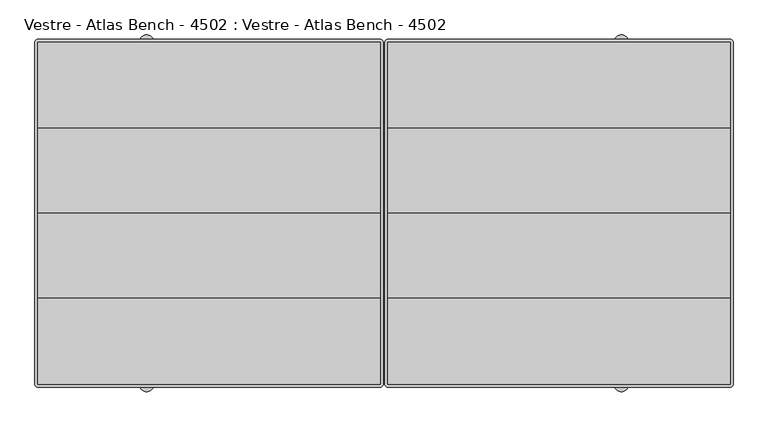
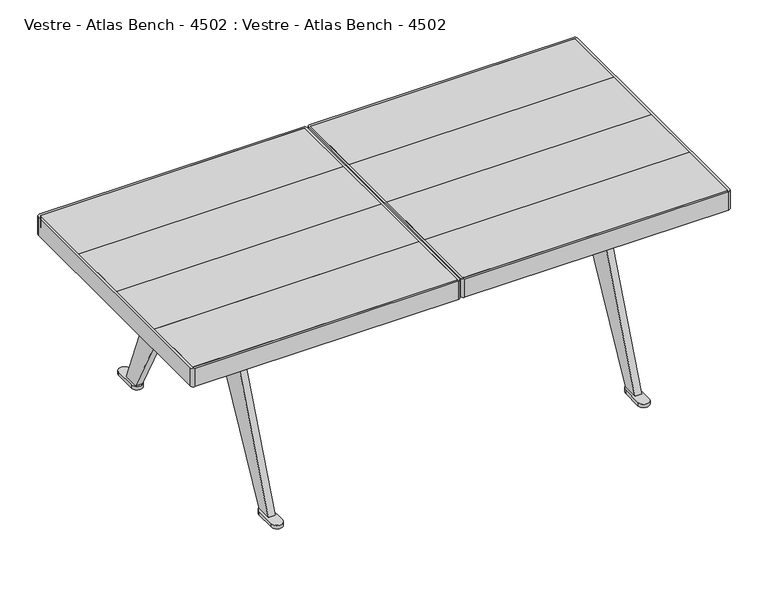
"""IFC4 building model written with IfcOpenShell, lengths in millimetres: furniture geometry, Vestre - Atlas Bench - 4502 : Vestre - Atlas Bench - 4502."""

from ifc_helpers import new_model, si_unit, point, frame, frame_2d, origin, origin_with_axes, place, context, project, spatial, polyline, circle_curve, trimmed, segment, composite_curve, outline, extrude, faceted_brep, source, transform, mapped, element, save


def vestre_atlas_bench_4502_vestre_atlas_bench_4502_a523c33e(model_context):
    return source(origin(), model_context, "Body", "SolidModel", [
        extrude(outline(polyline([(6.4996033, -146.0000273), (6.4996033, 0.0), (596.4996368, 0.0), (596.4996368, -146.0000273), (6.4996033, -146.0000273)])), frame((0.0, 0.0, 410.700222), z_axis=(0.0, 0.0, 1.0), x_axis=(1.0, 0.0, 0.0)), (0.0, 0.0, 1.0), 27.9999988),
        extrude(outline(polyline([(6.4996033, 146.0000273), (596.4996368, 146.0000273), (596.4996368, 0.0), (6.4996033, 0.0), (6.4996033, 146.0000273)])), frame((0.0, 0.0, 410.700222), z_axis=(0.0, 0.0, 1.0), x_axis=(1.0, 0.0, 0.0)), (0.0, 0.0, 1.0), 27.9999988),
        extrude(outline(composite_curve([segment(trimmed(circle_curve(frame_2d((595.5088661, 294.0091733)), 0.9907708), [point((595.5088661, 294.9999441))], [point((596.4996368, 294.0091733))], False, "CARTESIAN"), True, "CONTINUOUS"), segment(polyline([(596.4996368, 294.0091733), (596.4996368, 146.0000273), (6.4996033, 146.0000273), (6.4996033, 294.0104801)]), True, "CONTINUOUS"), segment(trimmed(circle_curve(frame_2d((7.4890673, 294.0104801)), 0.989464), [point((6.4996033, 294.0104801))], [point((7.4890673, 294.9999441))], False, "CARTESIAN"), True, "CONTINUOUS"), segment(polyline([(7.4890673, 294.9999441), (595.5088661, 294.9999441)]), True, "CONTINUOUS")], self_intersect=False)), frame((0.0, 0.0, 410.700222), z_axis=(0.0, 0.0, 1.0), x_axis=(1.0, 0.0, 0.0)), (0.0, 0.0, 1.0), 27.9999988),
        extrude(outline(composite_curve([segment(polyline([(595.5354213, -295.0000895), (7.498035, -295.0000895)]), True, "CONTINUOUS"), segment(trimmed(circle_curve(frame_2d((7.498035, -294.0016577)), 0.9984317), [point((7.498035, -295.0000895))], [point((6.4996033, -294.0016577))], False, "CARTESIAN"), True, "CONTINUOUS"), segment(polyline([(6.4996033, -294.0016577), (6.4996033, -146.0000273), (596.4996368, -146.0000273), (596.4996368, -294.035874)]), True, "CONTINUOUS"), segment(trimmed(circle_curve(frame_2d((595.5354213, -294.035874)), 0.9642155), [point((596.4996368, -294.035874))], [point((595.5354213, -295.0000895))], False, "CARTESIAN"), True, "CONTINUOUS")], self_intersect=False)), frame((0.0, 0.0, 410.700222), z_axis=(0.0, 0.0, 1.0), x_axis=(1.0, 0.0, 0.0)), (0.0, 0.0, 1.0), 27.9999988),
        extrude(outline(polyline([(266.5000122, -34.9999712), (266.5000122, 34.9999712), (336.4992279, 34.9999712), (336.4992279, -34.9999712), (266.5000122, -34.9999712)])), frame((0.0, 0.0, 370.8502198), z_axis=(0.0, 0.0, 1.0), x_axis=(1.0, 0.0, 0.0)), (0.0, 0.0, 1.0), 39.8500022),
        extrude(outline(composite_curve([segment(trimmed(circle_curve(frame_2d((595.5361966, -294.0369399)), 5.9631351), [point((601.4993317, -294.0369399))], [point((595.5361966, -300.000075))], False, "CARTESIAN"), True, "CONTINUOUS"), segment(polyline([(595.5361966, -300.000075), (7.4999084, -300.000075)]), True, "CONTINUOUS"), segment(trimmed(circle_curve(frame_2d((7.4999084, -294.000075)), 6.0), [point((7.4999084, -300.000075))], [point((1.4999084, -294.000075))], False, "CARTESIAN"), True, "CONTINUOUS"), segment(polyline([(1.4999084, -294.000075), (1.4999084, 294.000075)]), True, "CONTINUOUS"), segment(trimmed(circle_curve(frame_2d((7.4999084, 294.000075)), 6.0), [point((1.4999084, 294.000075))], [point((7.4999084, 300.000075))], False, "CARTESIAN"), True, "CONTINUOUS"), segment(polyline([(7.4999084, 300.000075), (595.4993317, 300.000075)]), True, "CONTINUOUS"), segment(trimmed(circle_curve(frame_2d((595.4993317, 294.000075)), 6.0), [point((595.4993317, 300.000075))], [point((601.4993317, 294.000075))], False, "CARTESIAN"), True, "CONTINUOUS"), segment(polyline([(601.4993317, 294.000075), (601.4993317, -294.0369399)]), True, "CONTINUOUS")], self_intersect=False), holes=[composite_curve([segment(polyline([(596.4996368, -294.035874), (596.4996368, 294.0091733)]), True, "CONTINUOUS"), segment(trimmed(circle_curve(frame_2d((595.5088661, 294.0091733)), 0.9907708), [point((596.4996368, 294.0091733))], [point((595.5088661, 294.9999441))], True, "CARTESIAN"), True, "CONTINUOUS"), segment(polyline([(595.5088661, 294.9999441), (7.4890673, 294.9999441)]), True, "CONTINUOUS"), segment(trimmed(circle_curve(frame_2d((7.4890673, 294.0104801)), 0.989464), [point((7.4890673, 294.9999441))], [point((6.4996033, 294.0104801))], True, "CARTESIAN"), True, "CONTINUOUS"), segment(polyline([(6.4996033, 294.0104801), (6.4996033, -294.0016577)]), True, "CONTINUOUS"), segment(trimmed(circle_curve(frame_2d((7.498035, -294.0016577)), 0.9984317), [point((6.4996033, -294.0016577))], [point((7.498035, -295.0000895))], True, "CARTESIAN"), True, "CONTINUOUS"), segment(polyline([(7.498035, -295.0000895), (595.5354213, -295.0000895)]), True, "CONTINUOUS"), segment(trimmed(circle_curve(frame_2d((595.5354213, -294.035874)), 0.9642155), [point((595.5354213, -295.0000895))], [point((596.4996368, -294.035874))], True, "CARTESIAN"), True, "CONTINUOUS")], self_intersect=False)]), frame((0.0, 0.0, 395.7002292), z_axis=(0.0, 0.0, 1.0), x_axis=(1.0, 0.0, 0.0)), (0.0, 0.0, 1.0), 42.9999916),
        extrude(outline(polyline([(-6.4996033, -146.0000273), (-596.4996368, -146.0000273), (-596.4996368, 0.0), (-6.4996033, 0.0), (-6.4996033, -146.0000273)])), frame((0.0, 0.0, 410.700222), z_axis=(0.0, 0.0, 1.0), x_axis=(1.0, 0.0, 0.0)), (0.0, 0.0, 1.0), 27.9999988),
        extrude(outline(polyline([(-6.4996033, 146.0000273), (-6.4996033, 0.0), (-596.4996368, 0.0), (-596.4996368, 146.0000273), (-6.4996033, 146.0000273)])), frame((0.0, 0.0, 410.700222), z_axis=(0.0, 0.0, 1.0), x_axis=(1.0, 0.0, 0.0)), (0.0, 0.0, 1.0), 27.9999988),
        extrude(outline(composite_curve([segment(polyline([(-595.5088661, 294.9999441), (-7.4890673, 294.9999441)]), True, "CONTINUOUS"), segment(trimmed(circle_curve(frame_2d((-7.4890673, 294.0104801)), 0.989464), [point((-7.4890673, 294.9999441))], [point((-6.4996033, 294.0104801))], False, "CARTESIAN"), True, "CONTINUOUS"), segment(polyline([(-6.4996033, 294.0104801), (-6.4996033, 146.0000273), (-596.4996368, 146.0000273), (-596.4996368, 294.0091733)]), True, "CONTINUOUS"), segment(trimmed(circle_curve(frame_2d((-595.5088661, 294.0091733)), 0.9907708), [point((-596.4996368, 294.0091733))], [point((-595.5088661, 294.9999441))], False, "CARTESIAN"), True, "CONTINUOUS")], self_intersect=False)), frame((0.0, 0.0, 410.700222), z_axis=(0.0, 0.0, 1.0), x_axis=(1.0, 0.0, 0.0)), (0.0, 0.0, 1.0), 27.9999988),
        extrude(outline(composite_curve([segment(trimmed(circle_curve(frame_2d((-595.5354213, -294.035874)), 0.9642155), [point((-595.5354213, -295.0000895))], [point((-596.4996368, -294.035874))], False, "CARTESIAN"), True, "CONTINUOUS"), segment(polyline([(-596.4996368, -294.035874), (-596.4996368, -146.0000273), (-6.4996033, -146.0000273), (-6.4996033, -294.0016577)]), True, "CONTINUOUS"), segment(trimmed(circle_curve(frame_2d((-7.498035, -294.0016577)), 0.9984317), [point((-6.4996033, -294.0016577))], [point((-7.498035, -295.0000895))], False, "CARTESIAN"), True, "CONTINUOUS"), segment(polyline([(-7.498035, -295.0000895), (-595.5354213, -295.0000895)]), True, "CONTINUOUS")], self_intersect=False)), frame((0.0, 0.0, 410.700222), z_axis=(0.0, 0.0, 1.0), x_axis=(1.0, 0.0, 0.0)), (0.0, 0.0, 1.0), 27.9999988),
        extrude(outline(polyline([(-266.5000122, 34.9999712), (-266.5000122, -34.9999712), (-336.4992279, -34.9999712), (-336.4992279, 34.9999712), (-266.5000122, 34.9999712)])), frame((0.0, 0.0, 370.8502198), z_axis=(0.0, 0.0, 1.0), x_axis=(1.0, 0.0, 0.0)), (0.0, 0.0, 1.0), 39.8500022),
        extrude(outline(composite_curve([segment(polyline([(-601.4993317, -294.0369399), (-601.4993317, 294.000075)]), True, "CONTINUOUS"), segment(trimmed(circle_curve(frame_2d((-595.4993317, 294.000075)), 6.0), [point((-601.4993317, 294.000075))], [point((-595.4993317, 300.000075))], False, "CARTESIAN"), True, "CONTINUOUS"), segment(polyline([(-595.4993317, 300.000075), (-7.4999084, 300.000075)]), True, "CONTINUOUS"), segment(trimmed(circle_curve(frame_2d((-7.4999084, 294.000075)), 6.0), [point((-7.4999084, 300.000075))], [point((-1.4999084, 294.000075))], False, "CARTESIAN"), True, "CONTINUOUS"), segment(polyline([(-1.4999084, 294.000075), (-1.4999084, -294.000075)]), True, "CONTINUOUS"), segment(trimmed(circle_curve(frame_2d((-7.4999084, -294.000075)), 6.0), [point((-1.4999084, -294.000075))], [point((-7.4999084, -300.000075))], False, "CARTESIAN"), True, "CONTINUOUS"), segment(polyline([(-7.4999084, -300.000075), (-595.5361966, -300.000075)]), True, "CONTINUOUS"), segment(trimmed(circle_curve(frame_2d((-595.5361966, -294.0369399)), 5.9631351), [point((-595.5361966, -300.000075))], [point((-601.4993317, -294.0369399))], False, "CARTESIAN"), True, "CONTINUOUS")], self_intersect=False), holes=[composite_curve([segment(trimmed(circle_curve(frame_2d((-595.5354213, -294.035874)), 0.9642155), [point((-596.4996368, -294.035874))], [point((-595.5354213, -295.0000895))], True, "CARTESIAN"), True, "CONTINUOUS"), segment(polyline([(-595.5354213, -295.0000895), (-7.498035, -295.0000895)]), True, "CONTINUOUS"), segment(trimmed(circle_curve(frame_2d((-7.498035, -294.0016577)), 0.9984317), [point((-7.498035, -295.0000895))], [point((-6.4996033, -294.0016577))], True, "CARTESIAN"), True, "CONTINUOUS"), segment(polyline([(-6.4996033, -294.0016577), (-6.4996033, 294.0104801)]), True, "CONTINUOUS"), segment(trimmed(circle_curve(frame_2d((-7.4890673, 294.0104801)), 0.989464), [point((-6.4996033, 294.0104801))], [point((-7.4890673, 294.9999441))], True, "CARTESIAN"), True, "CONTINUOUS"), segment(polyline([(-7.4890673, 294.9999441), (-595.5088661, 294.9999441)]), True, "CONTINUOUS"), segment(trimmed(circle_curve(frame_2d((-595.5088661, 294.0091733)), 0.9907708), [point((-595.5088661, 294.9999441))], [point((-596.4996368, 294.0091733))], True, "CARTESIAN"), True, "CONTINUOUS"), segment(polyline([(-596.4996368, 294.0091733), (-596.4996368, -294.035874)]), True, "CONTINUOUS")], self_intersect=False)]), frame((0.0, 0.0, 395.7002292), z_axis=(0.0, 0.0, 1.0), x_axis=(1.0, 0.0, 0.0)), (0.0, 0.0, 1.0), 42.9999916),
        faceted_brep([(401.4993301, 0.0, 304.9999878), (401.4993301, 77.4828432, 400.0000031), (401.4993301, -77.4832792, 400.0000031), (-401.4993301, 0.0, 304.9999878), (-401.4993301, -77.4832792, 400.0000031), (-401.4993301, 77.4828432, 400.0000031), (-266.4994308, 34.9996805, 400.0000031), (-266.4994308, -35.0001165, 400.0000031), (-336.4992279, -35.0001165, 400.0000031), (-336.4992279, 34.9996805, 400.0000031), (336.500972, 34.9996805, 400.0000031), (336.500972, -35.0001165, 400.0000031), (266.5005936, -35.0001165, 400.0000031), (266.5005936, 34.9996805, 400.0000031), (-266.4994308, -35.0001165, 370.8502198), (-266.4994308, 34.9996805, 370.8502198), (-336.4992279, 34.9996805, 370.8502198), (-336.4992279, -35.0001165, 370.8502198), (336.500972, -35.0001165, 370.8502198), (336.500972, 34.9996805, 370.8502198), (266.5005936, 34.9996805, 370.8502198), (266.5005936, -35.0001165, 370.8502198)], [[[0, 1, 2]], [[3, 4, 5]], [[1, 0, 3, 5]], [[2, 1, 5, 4], [6, 7, 8, 9], [10, 11, 12, 13]], [[0, 2, 4, 3]], [[14, 15, 16, 17]], [[18, 19, 20, 21]], [[15, 14, 7, 6]], [[16, 15, 6, 9]], [[17, 16, 9, 8]], [[14, 17, 8, 7]], [[19, 18, 11, 10]], [[20, 19, 10, 13]], [[21, 20, 13, 12]], [[18, 21, 12, 11]]]),
        extrude(outline(composite_curve([segment(trimmed(circle_curve(frame_2d((-408.9991631, 294.7881019)), 12.5001091), [point((-421.4992722, 294.7881019))], [point((-396.499054, 294.7881019))], False, "CARTESIAN"), True, "CONTINUOUS"), segment(polyline([(-396.499054, 294.7881019), (-396.499054, 246.6671022)]), True, "CONTINUOUS"), segment(trimmed(circle_curve(frame_2d((-408.9991631, 246.6671022)), 12.5001091), [point((-396.499054, 246.6671022))], [point((-421.4992722, 246.6671022))], False, "CARTESIAN"), True, "CONTINUOUS"), segment(polyline([(-421.4992722, 246.6671022), (-421.4992722, 294.7881019)]), True, "CONTINUOUS")], self_intersect=False)), origin_with_axes(), (0.0, 0.0, 1.0), 7.85),
        extrude(outline(composite_curve([segment(polyline([(421.4992722, 294.7881019), (421.4992722, 246.6671022)]), True, "CONTINUOUS"), segment(trimmed(circle_curve(frame_2d((408.9991631, 246.6671022)), 12.5001091), [point((421.4992722, 246.6671022))], [point((396.499054, 246.6671022))], False, "CARTESIAN"), True, "CONTINUOUS"), segment(polyline([(396.499054, 246.6671022), (396.499054, 294.7881019)]), True, "CONTINUOUS"), segment(trimmed(circle_curve(frame_2d((408.9991631, 294.7881019)), 12.5001091), [point((396.499054, 294.7881019))], [point((421.4992722, 294.7881019))], False, "CARTESIAN"), True, "CONTINUOUS")], self_intersect=False)), origin_with_axes(), (0.0, 0.0, 1.0), 7.85),
        extrude(outline(composite_curve([segment(polyline([(-421.4992722, -294.7881019), (-421.4992722, -246.6671022)]), True, "CONTINUOUS"), segment(trimmed(circle_curve(frame_2d((-408.9991631, -246.6671022)), 12.5001091), [point((-421.4992722, -246.6671022))], [point((-396.499054, -246.6671022))], False, "CARTESIAN"), True, "CONTINUOUS"), segment(polyline([(-396.499054, -246.6671022), (-396.499054, -294.7881019)]), True, "CONTINUOUS"), segment(trimmed(circle_curve(frame_2d((-408.9991631, -294.7881019)), 12.5001091), [point((-396.499054, -294.7881019))], [point((-421.4992722, -294.7881019))], False, "CARTESIAN"), True, "CONTINUOUS")], self_intersect=False)), origin_with_axes(), (0.0, 0.0, 1.0), 7.85),
        extrude(outline(composite_curve([segment(trimmed(circle_curve(frame_2d((408.9991631, -294.7881019)), 12.5001091), [point((421.4992722, -294.7881019))], [point((396.499054, -294.7881019))], False, "CARTESIAN"), True, "CONTINUOUS"), segment(polyline([(396.499054, -294.7881019), (396.499054, -246.6671022)]), True, "CONTINUOUS"), segment(trimmed(circle_curve(frame_2d((408.9991631, -246.6671022)), 12.5001091), [point((396.499054, -246.6671022))], [point((421.4992722, -246.6671022))], False, "CARTESIAN"), True, "CONTINUOUS"), segment(polyline([(421.4992722, -246.6671022), (421.4992722, -294.7881019)]), True, "CONTINUOUS")], self_intersect=False)), origin_with_axes(), (0.0, 0.0, 1.0), 7.85),
        extrude(outline(composite_curve([segment(polyline([(274.4581476, 7.85), (238.7432621, 7.85), (86.6507551, 294.3770811)]), True, "CONTINUOUS"), segment(trimmed(circle_curve(frame_2d((68.9852486, 284.9999878)), 20.0), [point((86.6507551, 294.3770811))], [point((68.9852486, 304.9999878))], True, "CARTESIAN"), True, "CONTINUOUS"), segment(polyline([(68.9852486, 304.9999878), (-68.9852486, 304.9999878)]), True, "CONTINUOUS"), segment(trimmed(circle_curve(frame_2d((-68.9852486, 284.9999878)), 20.0), [point((-68.9852486, 304.9999878))], [point((-86.6507551, 294.3770811))], True, "CARTESIAN"), True, "CONTINUOUS"), segment(polyline([(-86.6507551, 294.3770811), (-238.7432621, 7.85), (-274.4581476, 7.85), (-122.5040271, 393.6645503)]), True, "CONTINUOUS"), segment(trimmed(circle_curve(frame_2d((-113.1996683, 390.0000031)), 10.0), [point((-122.5040271, 393.6645503))], [point((-113.1996683, 400.0000031))], False, "CARTESIAN"), True, "CONTINUOUS"), segment(polyline([(-113.1996683, 400.0000031), (113.1996683, 400.0000031)]), True, "CONTINUOUS"), segment(trimmed(circle_curve(frame_2d((113.1996683, 390.0000031)), 10.0), [point((113.1996683, 400.0000031))], [point((122.5040271, 393.6645503))], False, "CARTESIAN"), True, "CONTINUOUS"), segment(polyline([(122.5040271, 393.6645503), (274.4581476, 7.85)]), True, "CONTINUOUS")], self_intersect=False)), frame((401.4993301, 0.0, 0.0), z_axis=(1.0, 0.0, 0.0), x_axis=(0.0, 1.0, 0.0)), (0.0, 0.0, 1.0), 14.9996658),
        extrude(outline(composite_curve([segment(polyline([(274.4581476, 7.85), (238.7432621, 7.85), (86.6507551, 294.3770811)]), True, "CONTINUOUS"), segment(trimmed(circle_curve(frame_2d((68.9852486, 284.9999878)), 20.0), [point((86.6507551, 294.3770811))], [point((68.9852486, 304.9999878))], True, "CARTESIAN"), True, "CONTINUOUS"), segment(polyline([(68.9852486, 304.9999878), (-68.9852486, 304.9999878)]), True, "CONTINUOUS"), segment(trimmed(circle_curve(frame_2d((-68.9852486, 284.9999878)), 20.0), [point((-68.9852486, 304.9999878))], [point((-86.6507551, 294.3770811))], True, "CARTESIAN"), True, "CONTINUOUS"), segment(polyline([(-86.6507551, 294.3770811), (-238.7432621, 7.85), (-274.4581476, 7.85), (-122.5040271, 393.6645503)]), True, "CONTINUOUS"), segment(trimmed(circle_curve(frame_2d((-113.1996683, 390.0000031)), 10.0), [point((-122.5040271, 393.6645503))], [point((-113.1996683, 400.0000031))], False, "CARTESIAN"), True, "CONTINUOUS"), segment(polyline([(-113.1996683, 400.0000031), (113.1996683, 400.0000031)]), True, "CONTINUOUS"), segment(trimmed(circle_curve(frame_2d((113.1996683, 390.0000031)), 10.0), [point((113.1996683, 400.0000031))], [point((122.5040271, 393.6645503))], False, "CARTESIAN"), True, "CONTINUOUS"), segment(polyline([(122.5040271, 393.6645503), (274.4581476, 7.85)]), True, "CONTINUOUS")], self_intersect=False)), frame((-416.498996, 0.0, 0.0), z_axis=(1.0, 0.0, 0.0), x_axis=(0.0, 1.0, 0.0)), (0.0, 0.0, 1.0), 14.9996658),
    ])


if __name__ == "__main__":
    model = new_model("IFC4")
    model_context = context("Model", 3, world=origin())
    ifc_project = project(units=[si_unit("LENGTHUNIT", "METRE", prefix="MILLI")], contexts=[model_context])
    site = spatial("IfcSite", under=ifc_project)
    building = spatial("IfcBuilding", under=site)
    placement = place(None, origin())
    vestre_atlas_bench_4502_vestre_atlas_bench_4502_shape = vestre_atlas_bench_4502_vestre_atlas_bench_4502_a523c33e(model_context)
    element("IfcFurniture", 1, ObjectType="Vestre - Atlas Bench - 4502 : Vestre - Atlas Bench - 4502", at=placement, inside=building, context=model_context, shape_type="MappedRepresentation", body=[
        mapped(vestre_atlas_bench_4502_vestre_atlas_bench_4502_shape, transform((0.0, 0.0, 0.0), x_axis=(1.0, 0.0, 0.0), y_axis=(0.0, 1.0, 0.0), z_axis=(0.0, 0.0, 1.0))),
    ])
    save(model, "model.ifc")
